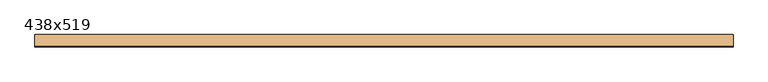
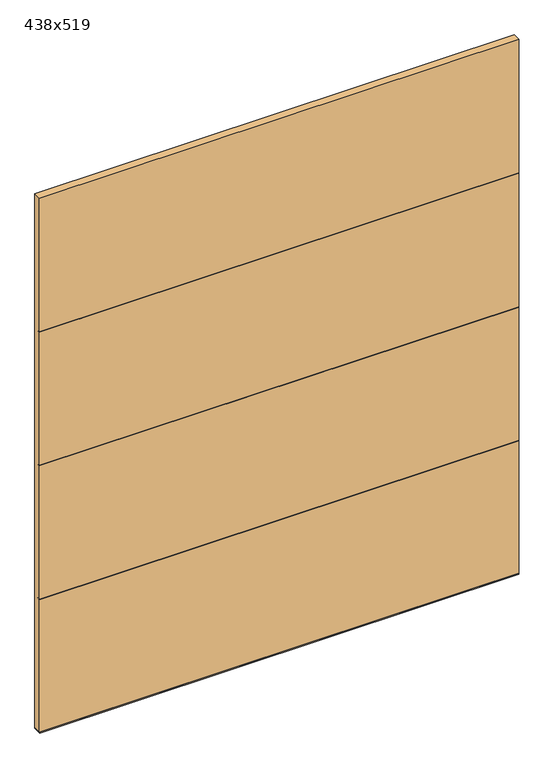
"""IFC4 building model written with IfcOpenShell, lengths in millimetres: door geometry, 438x519."""

from ifc_helpers import new_model, si_unit, frame, origin, place, context, project, spatial, polyline, outline, extrude, source, transform, mapped, element, save


def door_438x519_d05f59bf(model_context):
    return source(origin(), model_context, "Body", "SweptSolid", [
        extrude(outline(polyline([(276.35, 6.35), (206.35, 6.35), (206.35, 1292.7375), (241.35, 1297.5), (206.35, 1297.5), (206.35, 2590.2375), (241.35, 2595.0), (206.35, 2595.0), (206.35, 3887.7375), (241.35, 3892.5), (206.35, 3892.5), (206.35, 5190.0), (276.35, 5190.0), (276.35, 6.35)])), frame((-2202.7, 0.0, 0.0), z_axis=(1.0, 0.0, 0.0), x_axis=(0.0, 1.0, 0.0)), (0.0, 0.0, 1.0), 4405.4),
        extrude(outline(polyline([(276.35, 6.35), (276.35, 0.0), (200.0, 0.0), (206.35, 6.35), (276.35, 6.35)])), frame((-2202.7, 0.0, 0.0), z_axis=(1.0, 0.0, 0.0), x_axis=(0.0, 1.0, 0.0)), (0.0, 0.0, 1.0), 4405.4),
    ])


if __name__ == "__main__":
    model = new_model("IFC4")
    model_context = context("Model", 3, world=origin())
    ifc_project = project(units=[si_unit("LENGTHUNIT", "METRE", prefix="MILLI")], contexts=[model_context])
    site = spatial("IfcSite", under=ifc_project)
    building = spatial("IfcBuilding", under=site)
    placement = place(None, origin())
    door_438x519_shape = door_438x519_d05f59bf(model_context)
    element("IfcDoor", 1, ObjectType="438x519", at=placement, inside=building, context=model_context, shape_type="MappedRepresentation", body=[
        mapped(door_438x519_shape, transform((0.0, 0.0, 0.0), x_axis=(1.0, 0.0, 0.0), y_axis=(0.0, 1.0, 0.0), z_axis=(0.0, 0.0, 1.0))),
    ])
    save(model, "model.ifc")
